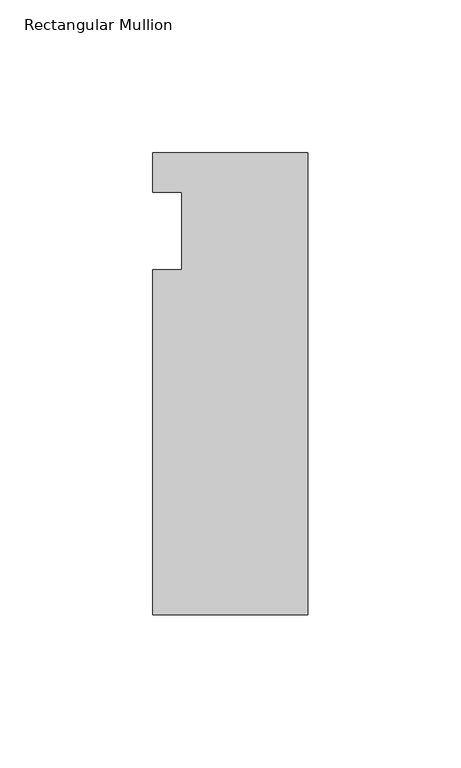
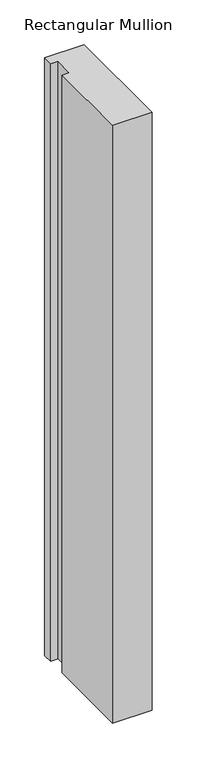
"""IFC4 building model written with IfcOpenShell, lengths in millimetres: member geometry, Rectangular Mullion."""

from ifc_helpers import new_model, si_unit, frame, origin, place, context, project, spatial, polyline, outline, extrude, source, transform, mapped, element, save


def rectangular_mullion_dd408d9e(model_context):
    return source(origin(), model_context, "Body", "SweptSolid", [
        extrude(outline(polyline([(-25.4, 25.5984375), (25.4, 25.5984375), (25.4, -125.6109375), (-25.4, -125.6109375), (-25.4, -12.7), (-15.875, -12.7), (-15.875, 12.7), (-25.4, 12.7), (-25.4, 25.5984375)])), frame((0.0, 0.0, -812.8), z_axis=(0.0, 0.0, 1.0), x_axis=(1.0, 0.0, 0.0)), (0.0, 0.0, 1.0), 812.8),
    ])


if __name__ == "__main__":
    model = new_model("IFC4")
    model_context = context("Model", 3, world=origin())
    ifc_project = project(units=[si_unit("LENGTHUNIT", "METRE", prefix="MILLI")], contexts=[model_context])
    site = spatial("IfcSite", under=ifc_project)
    building = spatial("IfcBuilding", under=site)
    placement = place(None, origin())
    rectangular_mullion_shape = rectangular_mullion_dd408d9e(model_context)
    element("IfcMember", 1, ObjectType="Rectangular Mullion", at=placement, inside=building, context=model_context, shape_type="MappedRepresentation", body=[
        mapped(rectangular_mullion_shape, transform((0.0, 0.0, 0.0), x_axis=(1.0, 0.0, 0.0), y_axis=(0.0, 1.0, 0.0), z_axis=(0.0, 0.0, 1.0))),
    ])
    save(model, "model.ifc")
